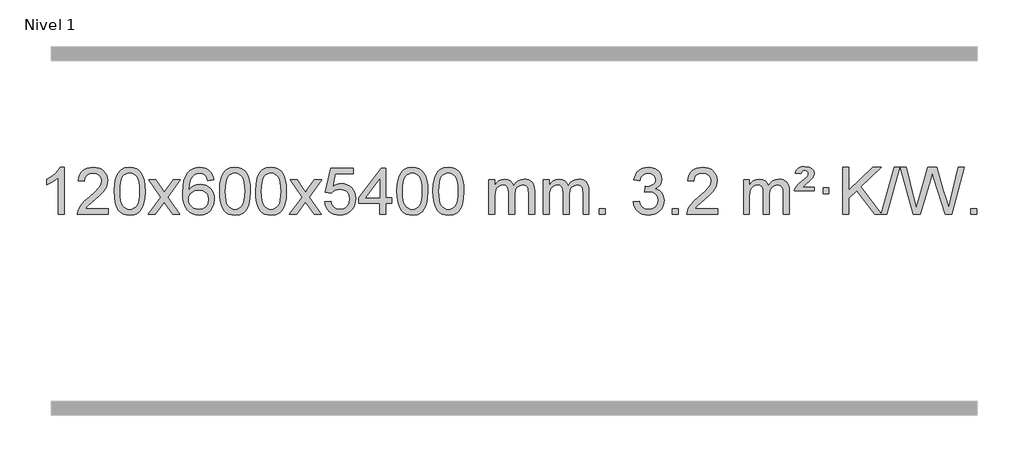
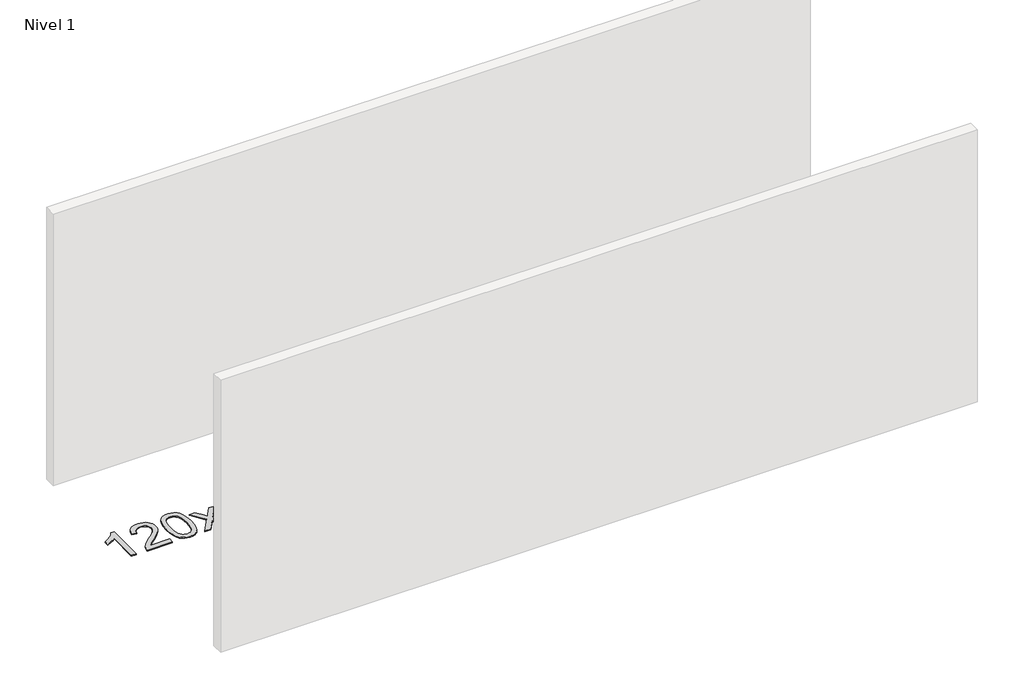
# One storey, part 15 of 25: 1 proxy.
"""IFC4 building model written with IfcOpenShell, lengths in millimetres."""

from ifc_helpers import new_model, si_unit, origin, origin_with_axes, place, context, project, spatial, polyline, outline, extrude, element, save

model = new_model("IFC4")

# Units and contexts
model_context = context("Model", 3, world=origin())
ifc_project = project(units=[si_unit("LENGTHUNIT", "METRE", prefix="MILLI")], contexts=[model_context])

# Site, building, storey
site = spatial("IfcSite", under=ifc_project)
building = spatial("IfcBuilding", under=site)
storey = spatial("IfcBuildingStorey", under=building, Name="Nivel 1", Elevation=0.0)

# Proxy
placement = place(None, origin())
element("IfcBuildingElementProxy", 1, Name="Texto de modelo 1", ObjectType="Texto de modelo 1", at=placement, inside=storey, context=model_context, shape_type="SweptSolid", body=[
    extrude(outline(polyline([(-121.6378538, -24575.579453), (-171.8660089, -24575.579453), (-171.8660089, -24262.4382987), (-192.8352826, -24279.3976587), (-219.4454136, -24296.3324932), (-272.3223191, -24321.6918254), (-272.3223191, -24274.2105225), (-232.8731065, -24252.7507395), (-198.6968691, -24227.219729), (-171.7556443, -24200.0700378), (-154.0114694, -24173.7542124), (-121.6378538, -24173.7542124), (-121.6378538, -24575.579453)])), origin_with_axes(), (0.0, 0.0, 1.0), 10.0),
    extrude(outline(polyline([(255.0733092, -24525.3512979), (255.0733092, -24575.579453), (-8.6245049, -24575.579453), (-7.5208589, -24557.8965918), (-3.2289023, -24540.9494945), (9.1687209, -24513.8856424), (27.3298287, -24487.6311307), (53.5843405, -24460.1503456), (90.2621754, -24429.4076736), (144.4511933, -24381.2641831), (176.9351734, -24345.7267824), (193.1587694, -24316.884834), (198.5666348, -24288.8277005), (193.453075, -24263.6768347), (178.1123958, -24242.7688747), (154.5311599, -24228.6789943), (124.6959301, -24223.9823675), (93.3646469, -24228.5686297), (69.0231215, -24242.3274163), (53.3145603, -24264.1796068), (47.8821695, -24293.0460807), (-2.3459855, -24286.7675613), (1.9735622, -24260.838012), (9.8309085, -24238.1826125), (21.2260533, -24218.8013627), (36.1589966, -24202.6942627), (54.2863819, -24190.0329907), (75.2648527, -24180.989225), (99.0944089, -24175.5629655), (125.7750506, -24173.7542124), (152.6948156, -24175.7653006), (176.6531306, -24181.7985654), (197.6499954, -24191.8540066), (215.6854103, -24205.9316242), (230.1707638, -24222.9890861), (240.5174449, -24241.9840598), (246.7254536, -24262.9165453), (248.7947898, -24285.7865427), (246.5629724, -24309.8092369), (239.8675201, -24333.4149983), (227.9849316, -24357.4254299), (210.1917058, -24382.6621347), (181.828004, -24412.7916701), (138.2339875, -24451.4805933), (80.4519888, -24499.795762), (57.7904579, -24525.3512979), (255.0733092, -24525.3512979)])), origin_with_axes(), (0.0, 0.0, 1.0), 10.0),
    extrude(outline(polyline([(305.3014643, -24377.9041943), (308.992547, -24313.5861588), (320.065795, -24262.2911459), (338.4108439, -24223.2343407), (350.2689068, -24208.0009605), (363.9173289, -24195.6309284), (379.4020952, -24186.0598651), (396.769191, -24179.2233914), (437.1503714, -24173.7542124), (468.1015099, -24176.991574), (495.8152869, -24186.7036586), (518.9918526, -24202.5103217), (536.3313573, -24224.0314184), (549.4279563, -24251.0830078), (559.8758049, -24283.4811488), (566.7184101, -24324.6226186), (568.9992784, -24377.9041943), (565.3449839, -24441.8543477), (554.3821005, -24493.0267333), (536.1474163, -24532.1203266), (524.3169444, -24547.3996922), (510.6777195, -24559.8341036), (495.174559, -24569.4695462), (477.7522809, -24576.3520052), (437.1503714, -24581.8579724), (409.4856453, -24579.4667394), (384.960179, -24572.2930405), (363.5739723, -24560.3368757), (345.3270254, -24543.5982449), (327.8158424, -24513.3399508), (315.3078546, -24475.6381776), (307.8030619, -24430.4929255), (305.3014643, -24377.9041943)]), holes=[polyline([(355.5296194, -24377.8060924), (357.0011473, -24421.4706195), (361.4157313, -24456.8148822), (368.7733712, -24483.8388804), (379.0740671, -24502.5426142), (391.533004, -24515.2682656), (405.365367, -24524.3580165), (420.5711561, -24529.8118671), (437.1503714, -24531.6298173), (453.7295866, -24529.8057357), (468.9353757, -24524.3334911), (482.7677388, -24515.2130833), (495.2266757, -24502.4445124), (505.5273715, -24483.7101217), (512.8850114, -24456.6922549), (517.2995954, -24421.3909118), (518.7711234, -24377.8060924), (517.3486463, -24335.2973278), (513.0812152, -24300.5753989), (505.9688299, -24273.6403055), (496.0114906, -24254.4920476), (483.7610201, -24241.1440625), (469.7692416, -24231.6097875), (454.0361549, -24225.8892225), (436.5617602, -24223.9823675), (420.068384, -24225.6623619), (405.1201123, -24230.7023452), (391.716945, -24239.1023175), (379.858882, -24250.8622786), (369.2148296, -24271.708925), (361.611935, -24299.8151094), (357.0501983, -24335.1808319), (355.5296194, -24377.8060924)])]), origin_with_axes(), (0.0, 0.0, 1.0), 10.0),
    extrude(outline(polyline([(594.113356, -24575.579453), (701.4367967, -24427.1513307), (600.3918754, -24280.4890419), (660.6264207, -24280.4890419), (709.3830478, -24351.2204869), (732.2407824, -24384.4770192), (752.0573592, -24357.2047007), (807.583015, -24280.4890419), (868.0137641, -24280.4890419), (761.8675458, -24427.2494325), (864.0896895, -24575.579453), (803.7570423, -24575.579453), (742.1490708, -24486.3067555), (730.9654582, -24469.923744), (654.544105, -24575.579453), (594.113356, -24575.579453)])), origin_with_axes(), (0.0, 0.0, 1.0), 10.0),
    extrude(outline(polyline([(1152.9015812, -24280.4890419), (1102.6734261, -24286.7675613), (1094.5800222, -24261.874213), (1083.6416642, -24244.8780648), (1060.857506, -24229.2062918), (1033.3154073, -24223.9823675), (1009.9671633, -24227.0235253), (987.9923455, -24236.1469988), (969.1199991, -24255.3627017), (953.7057435, -24281.8134171), (943.2946831, -24319.227016), (939.4319221, -24371.3313693), (959.5795927, -24347.8237098), (983.7249143, -24331.2567573), (1010.5189863, -24321.434308), (1038.612908, -24318.1601582), (1062.7459669, -24320.398107), (1085.0150903, -24327.1119534), (1105.4202783, -24338.3016975), (1123.9615309, -24353.9673391), (1139.3696551, -24373.1769106), (1150.3754581, -24394.9984443), (1156.97894, -24419.4319401), (1159.1801006, -24446.4773982), (1155.0352967, -24482.4439945), (1142.6008853, -24515.786366), (1122.9069358, -24544.0642287), (1096.9835179, -24564.8372987), (1066.0078539, -24577.602804), (1031.1571662, -24581.8579724), (1001.2146375, -24579.0375437), (974.1722452, -24570.5762579), (950.0299893, -24556.4741147), (928.7878697, -24536.7311143), (911.4698248, -24510.5133908), (899.0997927, -24476.9870783), (891.6777734, -24436.1521768), (889.203767, -24388.0086864), (891.9506193, -24334.0342663), (900.191176, -24287.9693092), (913.9254371, -24249.8138149), (933.1534027, -24219.5677835), (953.9939177, -24199.5243462), (978.1576335, -24185.2076052), (1005.6445499, -24176.6175606), (1036.454667, -24173.7542124), (1059.5883131, -24175.5261773), (1080.52693, -24180.8420722), (1099.2705176, -24189.7018969), (1115.8190761, -24202.1056515), (1129.7250155, -24217.6364031), (1140.5407461, -24235.8772186), (1148.266268, -24256.8280983), (1152.9015812, -24280.4890419)]), holes=[polyline([(939.4319221, -24445.6925832), (942.3381899, -24467.9494439), (951.0569932, -24489.2007605), (964.5950506, -24507.472233), (981.9590807, -24520.7895612), (1002.9160917, -24528.9197533), (1027.2330916, -24531.6298173), (1060.3792594, -24526.0134855), (1074.2943959, -24518.9930708), (1086.4375674, -24509.1644901), (1096.2876078, -24496.9262824), (1103.323351, -24482.6769865), (1108.9519455, -24448.1451299), (1103.3969274, -24414.9989621), (1096.4531547, -24401.3781312), (1086.731873, -24389.725469), (1074.5519133, -24380.3904634), (1060.2321066, -24373.7226022), (1025.1729524, -24368.3883133), (992.0758356, -24373.7226022), (964.3988468, -24389.725469), (953.4758173, -24401.2248471), (945.6736533, -24414.3858254), (940.9923549, -24429.2084042), (939.4319221, -24445.6925832)])]), origin_with_axes(), (0.0, 0.0, 1.0), 10.0),
    extrude(outline(polyline([(1203.1297362, -24377.9041943), (1206.8208189, -24313.5861588), (1217.894067, -24262.2911459), (1236.2391158, -24223.2343407), (1248.0971788, -24208.0009605), (1261.7456008, -24195.6309284), (1277.2303671, -24186.0598651), (1294.597463, -24179.2233914), (1334.9786433, -24173.7542124), (1365.9297818, -24176.991574), (1393.6435588, -24186.7036586), (1416.8201245, -24202.5103217), (1434.1596292, -24224.0314184), (1447.2562282, -24251.0830078), (1457.7040769, -24283.4811488), (1464.546682, -24324.6226186), (1466.8275504, -24377.9041943), (1463.1732559, -24441.8543477), (1452.2103725, -24493.0267333), (1433.9756882, -24532.1203266), (1422.1452164, -24547.3996922), (1408.5059914, -24559.8341036), (1393.002831, -24569.4695462), (1375.5805529, -24576.3520052), (1334.9786433, -24581.8579724), (1307.3139173, -24579.4667394), (1282.7884509, -24572.2930405), (1261.4022443, -24560.3368757), (1243.1552973, -24543.5982449), (1225.6441144, -24513.3399508), (1213.1361265, -24475.6381776), (1205.6313338, -24430.4929255), (1203.1297362, -24377.9041943)]), holes=[polyline([(1253.3578913, -24377.8060924), (1254.8294193, -24421.4706195), (1259.2440032, -24456.8148822), (1266.6016432, -24483.8388804), (1276.902339, -24502.5426142), (1289.3612759, -24515.2682656), (1303.1936389, -24524.3580165), (1318.3994281, -24529.8118671), (1334.9786433, -24531.6298173), (1351.5578586, -24529.8057357), (1366.7636477, -24524.3334911), (1380.5960107, -24515.2130833), (1393.0549476, -24502.4445124), (1403.3556435, -24483.7101217), (1410.7132834, -24456.6922549), (1415.1278673, -24421.3909118), (1416.5993953, -24377.8060924), (1415.1769183, -24335.2973278), (1410.9094871, -24300.5753989), (1403.7971019, -24273.6403055), (1393.8397625, -24254.4920476), (1381.5892921, -24241.1440625), (1367.5975136, -24231.6097875), (1351.8644269, -24225.8892225), (1334.3900321, -24223.9823675), (1317.896656, -24225.6623619), (1302.9483843, -24230.7023452), (1289.5452169, -24239.1023175), (1277.6871539, -24250.8622786), (1267.0431015, -24271.708925), (1259.440207, -24299.8151094), (1254.8784702, -24335.1808319), (1253.3578913, -24377.8060924)])]), origin_with_axes(), (0.0, 0.0, 1.0), 10.0),
    extrude(outline(polyline([(1510.7771861, -24377.9041943), (1514.4682688, -24313.5861588), (1525.5415168, -24262.2911459), (1543.8865656, -24223.2343407), (1555.7446286, -24208.0009605), (1569.3930506, -24195.6309284), (1584.877817, -24186.0598651), (1602.2449128, -24179.2233914), (1642.6260932, -24173.7542124), (1673.5772317, -24176.991574), (1701.2910087, -24186.7036586), (1724.4675743, -24202.5103217), (1741.8070791, -24224.0314184), (1754.9036781, -24251.0830078), (1765.3515267, -24283.4811488), (1772.1941319, -24324.6226186), (1774.4750002, -24377.9041943), (1770.8207057, -24441.8543477), (1759.8578223, -24493.0267333), (1741.6231381, -24532.1203266), (1729.7926662, -24547.3996922), (1716.1534413, -24559.8341036), (1700.6502808, -24569.4695462), (1683.2280027, -24576.3520052), (1642.6260932, -24581.8579724), (1614.9613671, -24579.4667394), (1590.4359008, -24572.2930405), (1569.0496941, -24560.3368757), (1550.8027472, -24543.5982449), (1533.2915642, -24513.3399508), (1520.7835764, -24475.6381776), (1513.2787836, -24430.4929255), (1510.7771861, -24377.9041943)]), holes=[polyline([(1561.0053412, -24377.8060924), (1562.4768691, -24421.4706195), (1566.8914531, -24456.8148822), (1574.249093, -24483.8388804), (1584.5497888, -24502.5426142), (1597.0087258, -24515.2682656), (1610.8410888, -24524.3580165), (1626.0468779, -24529.8118671), (1642.6260932, -24531.6298173), (1659.2053084, -24529.8057357), (1674.4110975, -24524.3334911), (1688.2434606, -24515.2130833), (1700.7023975, -24502.4445124), (1711.0030933, -24483.7101217), (1718.3607332, -24456.6922549), (1722.7753172, -24421.3909118), (1724.2468452, -24377.8060924), (1722.8243681, -24335.2973278), (1718.556937, -24300.5753989), (1711.4445517, -24273.6403055), (1701.4872124, -24254.4920476), (1689.2367419, -24241.1440625), (1675.2449634, -24231.6097875), (1659.5118767, -24225.8892225), (1642.037482, -24223.9823675), (1625.5441058, -24225.6623619), (1610.5958341, -24230.7023452), (1597.1926667, -24239.1023175), (1585.3346038, -24250.8622786), (1574.6905514, -24271.708925), (1567.0876568, -24299.8151094), (1562.5259201, -24335.1808319), (1561.0053412, -24377.8060924)])]), origin_with_axes(), (0.0, 0.0, 1.0), 10.0),
    extrude(outline(polyline([(1799.5890778, -24575.579453), (1906.9125185, -24427.1513307), (1805.8675971, -24280.4890419), (1866.1021425, -24280.4890419), (1914.8587696, -24351.2204869), (1937.7165042, -24384.4770192), (1957.533081, -24357.2047007), (2013.0587368, -24280.4890419), (2073.4894859, -24280.4890419), (1967.3432676, -24427.2494325), (2069.5654113, -24575.579453), (2009.2327641, -24575.579453), (1947.6247926, -24486.3067555), (1936.44118, -24469.923744), (1860.0198268, -24575.579453), (1799.5890778, -24575.579453)])), origin_with_axes(), (0.0, 0.0, 1.0), 10.0),
    extrude(outline(polyline([(2100.9580082, -24468.8446235), (2151.1861633, -24462.5661041), (2160.4077386, -24492.7201649), (2176.4964446, -24514.3148381), (2199.3787047, -24527.3010725), (2228.9809425, -24531.6298173), (2248.1108063, -24530.1245668), (2264.9843271, -24525.6088153), (2279.6015051, -24518.0825628), (2291.9623401, -24507.5458094), (2301.7909207, -24494.519721), (2308.8113355, -24479.5254641), (2314.4276673, -24443.6324441), (2309.1669547, -24409.8363514), (2302.5910641, -24395.9181493), (2293.3848172, -24383.9865099), (2281.5175571, -24374.4154467), (2266.9586272, -24367.5789729), (2229.7657575, -24362.1097939), (2205.3997066, -24364.2925604), (2185.668969, -24370.8408599), (2169.9113568, -24380.8717757), (2157.4646827, -24393.5023908), (2107.2365276, -24387.2238715), (2151.1861633, -24180.0327318), (2345.8202642, -24180.0327318), (2345.8202642, -24230.2608869), (2191.8003356, -24230.2608869), (2170.2179252, -24340.919791), (2187.943706, -24328.2155994), (2206.0986824, -24319.1411769), (2224.6828546, -24313.6965234), (2243.6962223, -24311.8816388), (2268.160375, -24314.1318504), (2290.6379649, -24320.882485), (2311.1289921, -24332.1335427), (2329.6334564, -24347.8850234), (2344.9557415, -24367.1743027), (2355.9002309, -24389.038756), (2362.4669245, -24413.4783832), (2364.6558224, -24440.4931844), (2362.6876537, -24466.5147042), (2356.7831477, -24490.7213394), (2346.9423043, -24513.1130902), (2333.1651236, -24533.6899565), (2312.2939517, -24554.7634634), (2287.9401636, -24569.8159684), (2260.1037593, -24578.8474714), (2228.7847388, -24581.8579724), (2202.8643866, -24579.9235262), (2179.4517632, -24574.1201877), (2158.5468689, -24564.447957), (2140.1497034, -24550.9068338), (2124.8427467, -24534.1712688), (2113.2084787, -24514.915712), (2105.2468991, -24493.1401636), (2100.9580082, -24468.8446235)])), origin_with_axes(), (0.0, 0.0, 1.0), 10.0),
    extrude(outline(polyline([(2571.846962, -24575.579453), (2571.846962, -24481.4016622), (2389.7698999, -24481.4016622), (2389.7698999, -24431.1735072), (2584.4040008, -24180.0327318), (2622.0751171, -24180.0327318), (2622.0751171, -24431.1735072), (2672.3032722, -24431.1735072), (2672.3032722, -24481.4016622), (2622.0751171, -24481.4016622), (2622.0751171, -24575.579453), (2571.846962, -24575.579453)]), holes=[polyline([(2571.846962, -24431.1735072), (2571.846962, -24275.9763561), (2451.5740751, -24431.1735072), (2571.846962, -24431.1735072)])]), origin_with_axes(), (0.0, 0.0, 1.0), 10.0),
    extrude(outline(polyline([(2716.2529079, -24377.9041943), (2719.9439906, -24313.5861588), (2731.0172386, -24262.2911459), (2749.3622874, -24223.2343407), (2761.2203504, -24208.0009605), (2774.8687724, -24195.6309284), (2790.3535388, -24186.0598651), (2807.7206346, -24179.2233914), (2848.1018149, -24173.7542124), (2879.0529535, -24176.991574), (2906.7667304, -24186.7036586), (2929.9432961, -24202.5103217), (2947.2828008, -24224.0314184), (2960.3793999, -24251.0830078), (2970.8272485, -24283.4811488), (2977.6698537, -24324.6226186), (2979.950722, -24377.9041943), (2976.2964275, -24441.8543477), (2965.3335441, -24493.0267333), (2947.0988599, -24532.1203266), (2935.268388, -24547.3996922), (2921.6291631, -24559.8341036), (2906.1260026, -24569.4695462), (2888.7037245, -24576.3520052), (2848.1018149, -24581.8579724), (2820.4370889, -24579.4667394), (2795.9116226, -24572.2930405), (2774.5254159, -24560.3368757), (2756.278469, -24543.5982449), (2738.767286, -24513.3399508), (2726.2592981, -24475.6381776), (2718.7545054, -24430.4929255), (2716.2529079, -24377.9041943)]), holes=[polyline([(2766.481063, -24377.8060924), (2767.9525909, -24421.4706195), (2772.3671749, -24456.8148822), (2779.7248148, -24483.8388804), (2790.0255106, -24502.5426142), (2802.4844475, -24515.2682656), (2816.3168106, -24524.3580165), (2831.5225997, -24529.8118671), (2848.1018149, -24531.6298173), (2864.6810302, -24529.8057357), (2879.8868193, -24524.3334911), (2893.7191824, -24515.2130833), (2906.1781193, -24502.4445124), (2916.4788151, -24483.7101217), (2923.836455, -24456.6922549), (2928.251039, -24421.3909118), (2929.7225669, -24377.8060924), (2928.3000899, -24335.2973278), (2924.0326588, -24300.5753989), (2916.9202735, -24273.6403055), (2906.9629342, -24254.4920476), (2894.7124637, -24241.1440625), (2880.7206852, -24231.6097875), (2864.9875985, -24225.8892225), (2847.5132038, -24223.9823675), (2831.0198276, -24225.6623619), (2816.0715559, -24230.7023452), (2802.6683885, -24239.1023175), (2790.8103256, -24250.8622786), (2780.1662732, -24271.708925), (2772.5633786, -24299.8151094), (2768.0016419, -24335.1808319), (2766.481063, -24377.8060924)])]), origin_with_axes(), (0.0, 0.0, 1.0), 10.0),
    extrude(outline(polyline([(3023.9003577, -24377.9041943), (3027.5914404, -24313.5861588), (3038.6646885, -24262.2911459), (3057.0097373, -24223.2343407), (3068.8678003, -24208.0009605), (3082.5162223, -24195.6309284), (3098.0009886, -24186.0598651), (3115.3680844, -24179.2233914), (3155.7492648, -24173.7542124), (3186.7004033, -24176.991574), (3214.4141803, -24186.7036586), (3237.590746, -24202.5103217), (3254.9302507, -24224.0314184), (3268.0268497, -24251.0830078), (3278.4746984, -24283.4811488), (3285.3173035, -24324.6226186), (3287.5981719, -24377.9041943), (3283.9438774, -24441.8543477), (3272.9809939, -24493.0267333), (3254.7463097, -24532.1203266), (3242.9158379, -24547.3996922), (3229.2766129, -24559.8341036), (3213.7734525, -24569.4695462), (3196.3511743, -24576.3520052), (3155.7492648, -24581.8579724), (3128.0845387, -24579.4667394), (3103.5590724, -24572.2930405), (3082.1728657, -24560.3368757), (3063.9259188, -24543.5982449), (3046.4147358, -24513.3399508), (3033.906748, -24475.6381776), (3026.4019553, -24430.4929255), (3023.9003577, -24377.9041943)]), holes=[polyline([(3074.1285128, -24377.8060924), (3075.6000408, -24421.4706195), (3080.0146247, -24456.8148822), (3087.3722646, -24483.8388804), (3097.6729605, -24502.5426142), (3110.1318974, -24515.2682656), (3123.9642604, -24524.3580165), (3139.1700495, -24529.8118671), (3155.7492648, -24531.6298173), (3172.32848, -24529.8057357), (3187.5342692, -24524.3334911), (3201.3666322, -24515.2130833), (3213.8255691, -24502.4445124), (3224.126265, -24483.7101217), (3231.4839049, -24456.6922549), (3235.8984888, -24421.3909118), (3237.3700168, -24377.8060924), (3235.9475397, -24335.2973278), (3231.6801086, -24300.5753989), (3224.5677233, -24273.6403055), (3214.610384, -24254.4920476), (3202.3599136, -24241.1440625), (3188.368135, -24231.6097875), (3172.6350484, -24225.8892225), (3155.1606536, -24223.9823675), (3138.6672775, -24225.6623619), (3123.7190057, -24230.7023452), (3110.3158384, -24239.1023175), (3098.4577754, -24250.8622786), (3087.813723, -24271.708925), (3080.2108284, -24299.8151094), (3075.6490917, -24335.1808319), (3074.1285128, -24377.8060924)])]), origin_with_axes(), (0.0, 0.0, 1.0), 10.0),
    extrude(outline(polyline([(3501.0678309, -24575.579453), (3501.0678309, -24280.4890419), (3551.295986, -24280.4890419), (3551.295986, -24329.0494653), (3566.4036733, -24306.7435537), (3585.8278426, -24289.2691589), (3608.9063064, -24277.9751816), (3634.9768772, -24274.2105225), (3662.9113833, -24278.048758), (3685.3031341, -24289.5634645), (3702.0295022, -24307.9943524), (3712.9678601, -24332.5811324), (3731.2761208, -24307.0439906), (3752.1595554, -24288.803175), (3775.6181639, -24277.8586857), (3801.6519464, -24274.2105225), (3821.7597632, -24275.7280358), (3839.4089019, -24280.2805755), (3854.5993626, -24287.8681416), (3867.3311453, -24298.4907342), (3877.3957836, -24312.2709806), (3884.5848109, -24329.3315082), (3888.8982273, -24349.6723168), (3890.3360328, -24373.2934066), (3890.3360328, -24575.579453), (3840.1078777, -24575.579453), (3840.1078777, -24394.875817), (3838.942918, -24369.8230531), (3835.4480391, -24352.9372695), (3828.8997396, -24341.3735121), (3818.5745182, -24332.2868268), (3805.2939782, -24326.4007149), (3789.8797226, -24324.4386776), (3762.6687177, -24329.4663982), (3740.4854334, -24344.54956), (3731.8800604, -24356.1194488), (3725.7333654, -24370.7182326), (3720.8160094, -24409.0024856), (3720.8160094, -24575.579453), (3670.5878543, -24575.579453), (3670.5878543, -24389.2840106), (3667.6815865, -24360.8835206), (3658.9627833, -24340.6254854), (3643.6221041, -24328.4853796), (3620.8502086, -24324.4386776), (3601.4996156, -24327.1364789), (3583.6696016, -24335.2298828), (3568.9543218, -24348.5226856), (3558.9479315, -24366.8186835), (3553.2089724, -24392.2025411), (3551.295986, -24426.7589232), (3551.295986, -24575.579453), (3501.0678309, -24575.579453)])), origin_with_axes(), (0.0, 0.0, 1.0), 10.0),
    extrude(outline(polyline([(3965.6782654, -24575.579453), (3965.6782654, -24280.4890419), (4015.9064204, -24280.4890419), (4015.9064204, -24329.0494653), (4031.0141077, -24306.7435537), (4050.4382771, -24289.2691589), (4073.5167409, -24277.9751816), (4099.5873116, -24274.2105225), (4127.5218178, -24278.048758), (4149.9135685, -24289.5634645), (4166.6399366, -24307.9943524), (4177.5782946, -24332.5811324), (4195.8865552, -24307.0439906), (4216.7699898, -24288.803175), (4240.2285984, -24277.8586857), (4266.2623809, -24274.2105225), (4286.3701976, -24275.7280358), (4304.0193363, -24280.2805755), (4319.209797, -24287.8681416), (4331.9415798, -24298.4907342), (4342.006218, -24312.2709806), (4349.1952453, -24329.3315082), (4353.5086617, -24349.6723168), (4354.9464672, -24373.2934066), (4354.9464672, -24575.579453), (4304.7183121, -24575.579453), (4304.7183121, -24394.875817), (4303.5533525, -24369.8230531), (4300.0584735, -24352.9372695), (4293.510174, -24341.3735121), (4283.1849527, -24332.2868268), (4269.9044126, -24326.4007149), (4254.490157, -24324.4386776), (4227.2791521, -24329.4663982), (4205.0958678, -24344.54956), (4196.4904948, -24356.1194488), (4190.3437998, -24370.7182326), (4185.4264438, -24409.0024856), (4185.4264438, -24575.579453), (4135.1982887, -24575.579453), (4135.1982887, -24389.2840106), (4132.292021, -24360.8835206), (4123.5732177, -24340.6254854), (4108.2325385, -24328.4853796), (4085.460643, -24324.4386776), (4066.11005, -24327.1364789), (4048.280036, -24335.2298828), (4033.5647562, -24348.5226856), (4023.5583659, -24366.8186835), (4017.8194068, -24392.2025411), (4015.9064204, -24426.7589232), (4015.9064204, -24575.579453), (3965.6782654, -24575.579453)])), origin_with_axes(), (0.0, 0.0, 1.0), 10.0),
    extrude(outline(polyline([(4442.8457386, -24575.579453), (4442.8457386, -24525.3512979), (4493.0738936, -24525.3512979), (4493.0738936, -24575.579453), (4442.8457386, -24575.579453)])), origin_with_axes(), (0.0, 0.0, 1.0), 10.0),
    extrude(outline(polyline([(4731.6576303, -24468.8446235), (4781.8857853, -24462.5661041), (4793.1307116, -24494.1303793), (4809.5995623, -24515.4430095), (4832.1016777, -24527.5831154), (4861.4463982, -24531.6298173), (4895.8801529, -24526.0625364), (4910.1539743, -24519.1034354), (4922.4657584, -24509.3606939), (4939.4619066, -24484.4428201), (4945.1272893, -24454.2274455), (4939.5109575, -24425.5449126), (4922.6619621, -24402.2825078), (4897.1554772, -24386.8682522), (4865.5666765, -24381.730167), (4830.3481068, -24387.2238715), (4835.9399132, -24336.9957164), (4843.9842661, -24337.5843276), (4874.0770133, -24333.979084), (4900.9814499, -24323.1633534), (4912.054698, -24314.9841103), (4919.9641609, -24304.8673555), (4924.7098386, -24292.8130888), (4926.2917312, -24278.8213102), (4921.705469, -24257.1285352), (4907.9466823, -24239.5315131), (4886.9528832, -24227.8696539), (4860.6615832, -24223.9823675), (4834.3212324, -24227.9064421), (4812.7878729, -24239.6786659), (4797.067049, -24259.299039), (4788.1643047, -24286.7675613), (4737.9361496, -24280.4890419), (4743.8897066, -24256.5092672), (4752.7250058, -24235.3867093), (4764.4420474, -24217.1213683), (4779.0408312, -24201.713244), (4796.0615049, -24189.4811677), (4815.0442158, -24180.7439703), (4835.9889641, -24175.5016519), (4858.8957497, -24173.7542124), (4890.4722876, -24177.2000404), (4919.4736515, -24187.5375245), (4943.9255415, -24203.8469596), (4961.8536574, -24225.2086408), (4972.853329, -24249.8199463), (4976.5198862, -24275.8782543), (4973.03727, -24300.1584659), (4962.5894214, -24322.1823347), (4945.3234931, -24340.9443165), (4921.3866379, -24355.4388671), (4952.8282858, -24368.1430586), (4976.1274788, -24389.77452), (4990.548453, -24419.1560286), (4995.3554444, -24455.1103623), (4992.9519487, -24480.5923218), (4985.7414616, -24504.0631931), (4973.7239831, -24525.5229762), (4956.8995132, -24544.971671), (4936.4023547, -24561.1094278), (4913.3668104, -24572.636397), (4887.7928804, -24579.5525785), (4859.6805646, -24581.8579724), (4834.2721814, -24579.8898037), (4811.1201412, -24573.9852977), (4790.2244439, -24564.1444543), (4771.5850895, -24550.3672736), (4755.956236, -24533.4630959), (4744.0920417, -24514.2412617), (4735.9925064, -24492.7017708), (4731.6576303, -24468.8446235)])), origin_with_axes(), (0.0, 0.0, 1.0), 10.0),
    extrude(outline(polyline([(5064.4191576, -24575.579453), (5064.4191576, -24525.3512979), (5114.6473127, -24525.3512979), (5114.6473127, -24575.579453), (5064.4191576, -24575.579453)])), origin_with_axes(), (0.0, 0.0, 1.0), 10.0),
    extrude(outline(polyline([(5453.6873595, -24525.3512979), (5453.6873595, -24575.579453), (5189.9895453, -24575.579453), (5191.0931913, -24557.8965918), (5195.3851479, -24540.9494945), (5207.7827711, -24513.8856424), (5225.943879, -24487.6311307), (5252.1983907, -24460.1503456), (5288.8762256, -24429.4076736), (5343.0652435, -24381.2641831), (5375.5492237, -24345.7267824), (5391.7728197, -24316.884834), (5397.180685, -24288.8277005), (5392.0671253, -24263.6768347), (5376.7264461, -24242.7688747), (5353.1452102, -24228.6789943), (5323.3099804, -24223.9823675), (5291.9786971, -24228.5686297), (5267.6371718, -24242.3274163), (5251.9286106, -24264.1796068), (5246.4962198, -24293.0460807), (5196.2680647, -24286.7675613), (5200.5876125, -24260.838012), (5208.4449587, -24238.1826125), (5219.8401035, -24218.8013627), (5234.7730469, -24202.6942627), (5252.9004322, -24190.0329907), (5273.8789029, -24180.989225), (5297.7084592, -24175.5629655), (5324.3891009, -24173.7542124), (5351.3088659, -24175.7653006), (5375.2671808, -24181.7985654), (5396.2640457, -24191.8540066), (5414.2994605, -24205.9316242), (5428.7848141, -24222.9890861), (5439.1314952, -24241.9840598), (5445.3395038, -24262.9165453), (5447.4088401, -24285.7865427), (5445.1770226, -24309.8092369), (5438.4815703, -24333.4149983), (5426.5989819, -24357.4254299), (5408.805756, -24382.6621347), (5380.4420542, -24412.7916701), (5336.8480378, -24451.4805933), (5279.0660391, -24499.795762), (5256.4045082, -24525.3512979), (5453.6873595, -24525.3512979)])), origin_with_axes(), (0.0, 0.0, 1.0), 10.0),
    extrude(outline(polyline([(5673.4355379, -24575.579453), (5673.4355379, -24280.4890419), (5723.663693, -24280.4890419), (5723.663693, -24329.0494653), (5738.7713802, -24306.7435537), (5758.1955496, -24289.2691589), (5781.2740134, -24277.9751816), (5807.3445842, -24274.2105225), (5835.2790903, -24278.048758), (5857.6708411, -24289.5634645), (5874.3972091, -24307.9943524), (5885.3355671, -24332.5811324), (5903.6438278, -24307.0439906), (5924.5272623, -24288.803175), (5947.9858709, -24277.8586857), (5974.0196534, -24274.2105225), (5994.1274702, -24275.7280358), (6011.7766089, -24280.2805755), (6026.9670696, -24287.8681416), (6039.6988523, -24298.4907342), (6049.7634906, -24312.2709806), (6056.9525179, -24329.3315082), (6061.2659343, -24349.6723168), (6062.7037397, -24373.2934066), (6062.7037397, -24575.579453), (6012.4755847, -24575.579453), (6012.4755847, -24394.875817), (6011.310625, -24369.8230531), (6007.8157461, -24352.9372695), (6001.2674465, -24341.3735121), (5990.9422252, -24332.2868268), (5977.6616852, -24326.4007149), (5962.2474296, -24324.4386776), (5935.0364247, -24329.4663982), (5912.8531404, -24344.54956), (5904.2477674, -24356.1194488), (5898.1010724, -24370.7182326), (5893.1837164, -24409.0024856), (5893.1837164, -24575.579453), (5842.9555613, -24575.579453), (5842.9555613, -24389.2840106), (5840.0492935, -24360.8835206), (5831.3304902, -24340.6254854), (5815.989811, -24328.4853796), (5793.2179155, -24324.4386776), (5773.8673226, -24327.1364789), (5756.0373086, -24335.2298828), (5741.3220287, -24348.5226856), (5731.3156385, -24366.8186835), (5725.5766794, -24392.2025411), (5723.663693, -24426.7589232), (5723.663693, -24575.579453), (5673.4355379, -24575.579453)])), origin_with_axes(), (0.0, 0.0, 1.0), 10.0),
    extrude(outline(polyline([(6106.6533754, -24374.6668327), (6110.4793482, -24358.8479069), (6118.8180067, -24342.9799302), (6140.3268407, -24317.8413272), (6172.2835234, -24290.1030247), (6216.4293628, -24252.726214), (6223.5662735, -24241.1992448), (6225.9452437, -24229.3779701), (6224.0567828, -24217.2869152), (6218.3914001, -24207.5012541), (6209.022672, -24201.026531), (6196.0241748, -24198.8682899), (6183.5897634, -24200.4869707), (6174.73607, -24205.343013), (6168.3103978, -24214.8098431), (6163.1600499, -24230.2608869), (6112.9318948, -24223.9823675), (6123.7721509, -24198.7701881), (6140.4004171, -24181.2099542), (6164.165594, -24170.9092583), (6196.4165822, -24167.475693), (6232.1992376, -24171.6082341), (6256.9454332, -24184.0058573), (6271.3664074, -24202.3386434), (6276.1733988, -24224.2766731), (6272.0776459, -24247.1834586), (6259.7903873, -24268.8149199), (6239.262572, -24288.6314968), (6202.7932035, -24316.6886303), (6177.1886166, -24343.2742358), (6276.1733988, -24343.2742358), (6276.1733988, -24374.6668327), (6106.6533754, -24374.6668327)])), origin_with_axes(), (0.0, 0.0, 1.0), 10.0),
    extrude(outline(polyline([(6351.5156314, -24399.7809102), (6351.5156314, -24349.5527552), (6401.7437865, -24349.5527552), (6401.7437865, -24399.7809102), (6351.5156314, -24399.7809102)])), origin_with_axes(), (0.0, 0.0, 1.0), 10.0),
    extrude(outline(polyline([(6792.3854144, -24575.579453), (6638.8559951, -24372.9009991), (6571.2638099, -24437.4520265), (6571.2638099, -24575.579453), (6521.0356548, -24575.579453), (6521.0356548, -24173.7542124), (6571.2638099, -24173.7542124), (6571.2638099, -24370.4484525), (6777.2777272, -24173.7542124), (6847.5186628, -24173.7542124), (6674.4669722, -24338.9577537), (6849.2180057, -24569.5373449), (6960.5320117, -24173.7542124), (7006.0512772, -24173.7542124), (6892.9398265, -24575.579453), (6853.7971822, -24575.579453), (6847.5186628, -24575.579453), (6792.3854144, -24575.579453)])), origin_with_axes(), (0.0, 0.0, 1.0), 10.0),
    extrude(outline(polyline([(7120.3399504, -24575.579453), (7010.7601668, -24173.7542124), (7062.5579517, -24173.7542124), (7126.1279605, -24437.844434), (7145.7483335, -24519.3670841), (7166.7421327, -24447.2622131), (7246.4008474, -24173.7542124), (7321.056367, -24173.7542124), (7378.9364675, -24372.0180823), (7403.731714, -24445.5944814), (7422.0031864, -24519.3670841), (7441.0349483, -24440.1988788), (7505.0954664, -24173.7542124), (7556.9913532, -24173.7542124), (7447.5096714, -24575.579453), (7393.7498492, -24575.579453), (7297.3157155, -24265.5775584), (7283.87576, -24222.3146358), (7268.7680727, -24274.4067263), (7180.9669032, -24575.579453), (7120.3399504, -24575.579453)])), origin_with_axes(), (0.0, 0.0, 1.0), 10.0),
    extrude(outline(polyline([(7613.4980277, -24575.579453), (7613.4980277, -24525.3512979), (7663.7261827, -24525.3512979), (7663.7261827, -24575.579453), (7613.4980277, -24575.579453)])), origin_with_axes(), (0.0, 0.0, 1.0), 10.0),
])

save(model, "model.ifc")
